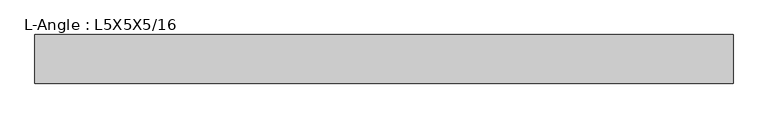
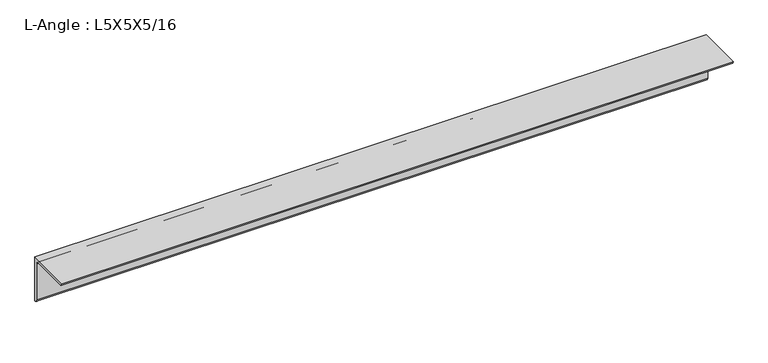
"""IFC4 building model written with IfcOpenShell, lengths in millimetres: beam geometry, L-Angle : L5X5X5/16."""

from ifc_helpers import new_model, si_unit, point, frame, frame_2d, origin, place, context, project, spatial, polyline, circle_curve, trimmed, segment, composite_curve, outline, extrude, source, transform, mapped, element, save


def l_angle_l5x5x5_16_3d916d74(model_context):
    return source(origin(), model_context, "Body", "SweptSolid", [
        extrude(outline(composite_curve([segment(polyline([(34.3296875, 34.3296875), (34.3296875, -92.6703125)]), True, "CONTINUOUS"), segment(trimmed(circle_curve(frame_2d((34.3296875, -84.7328125)), 7.9375), [point((34.3296875, -92.6703125))], [point((26.3921875, -84.7328125))], False, "CARTESIAN"), True, "CONTINUOUS"), segment(polyline([(26.3921875, -84.7328125), (26.3921875, 18.4546875)]), True, "CONTINUOUS"), segment(trimmed(circle_curve(frame_2d((18.4546875, 18.4546875)), 7.9375), [point((26.3921875, 18.4546875))], [point((18.4546875, 26.3921875))], True, "CARTESIAN"), True, "CONTINUOUS"), segment(polyline([(18.4546875, 26.3921875), (-84.7328125, 26.3921875)]), True, "CONTINUOUS"), segment(trimmed(circle_curve(frame_2d((-84.7328125, 34.3296875)), 7.9375), [point((-84.7328125, 26.3921875))], [point((-92.6703125, 34.3296875))], False, "CARTESIAN"), True, "CONTINUOUS"), segment(polyline([(-92.6703125, 34.3296875), (34.3296875, 34.3296875)]), True, "CONTINUOUS")], self_intersect=False)), frame((-927.5960937, 0.0, 0.0), z_axis=(1.0, 0.0, 0.0), x_axis=(0.0, 1.0, 0.0)), (0.0, 0.0, 1.0), 1822.2019531),
    ])


if __name__ == "__main__":
    model = new_model("IFC4")
    model_context = context("Model", 3, world=origin())
    ifc_project = project(units=[si_unit("LENGTHUNIT", "METRE", prefix="MILLI")], contexts=[model_context])
    site = spatial("IfcSite", under=ifc_project)
    building = spatial("IfcBuilding", under=site)
    placement = place(None, origin())
    l_angle_l5x5x5_16_shape = l_angle_l5x5x5_16_3d916d74(model_context)
    element("IfcBeam", 1, ObjectType="L-Angle : L5X5X5/16", at=placement, inside=building, context=model_context, shape_type="MappedRepresentation", body=[
        mapped(l_angle_l5x5x5_16_shape, transform((0.0, 0.0, 0.0), x_axis=(1.0, 0.0, 0.0), y_axis=(0.0, 1.0, 0.0), z_axis=(0.0, 0.0, 1.0))),
    ])
    save(model, "model.ifc")
